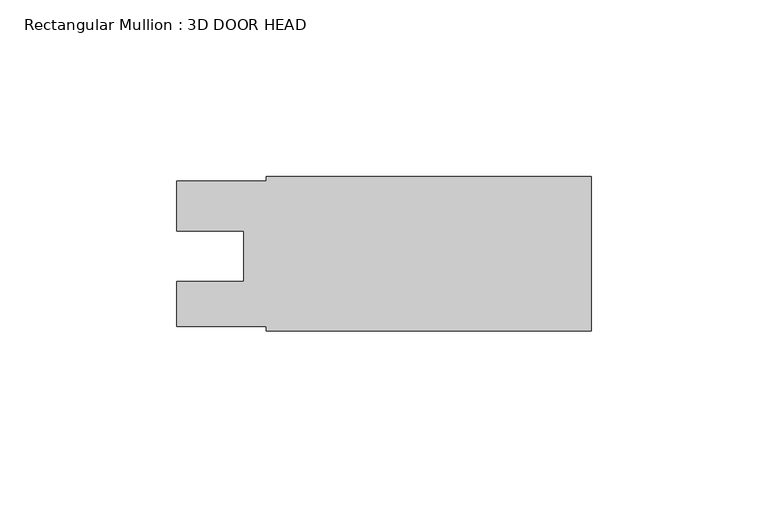
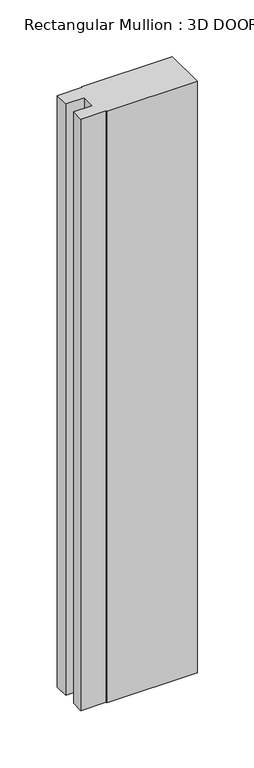
"""IFC4 building model written with IfcOpenShell, lengths in millimetres: member geometry, Rectangular Mullion : 3D DOOR HEAD."""

import ifcopenshell
import ifcopenshell.guid

model = None  # the IFC model being written
_history = None  # IfcOwnerHistory: only IFC2X3 demands one
_inside = {}  # id of a spatial element -> (the spatial element, [elements in it])
_under = {}  # id of a project, library or spatial element -> (it, [spatial elements below it])
_declared = {}  # id of a project -> (the project, [libraries it declares])
_typed = {}  # id of a type object -> (the type object, [elements of that type])
_made_of = {}  # id of a material, layer set ... -> (it, [elements and type objects made of it])


def new_model(schema):
    """Start an empty IFC model of exactly this schema.

    Asked for "IFC4X3", IfcOpenShell would pick the latest addendum, in which some entities
    have other attributes; the version numbers below select the first issue.
    IFC2X3 requires an IfcOwnerHistory on every rooted entity: one is made here for all.
    """
    global model, _history
    if schema == "IFC4X3":
        model = ifcopenshell.file(schema_version=(4, 3, 0, 0))
    else:
        model = ifcopenshell.file(schema=schema)
    _inside.clear()
    _under.clear()
    _declared.clear()
    _typed.clear()
    _made_of.clear()
    _history = None
    if model.schema == "IFC2X3":
        org = make("IfcOrganization", Name="unknown")
        user = make(
            "IfcPersonAndOrganization",
            ThePerson=make("IfcPerson", FamilyName="unknown"),
            TheOrganization=org,
        )
        app = make(
            "IfcApplication",
            ApplicationDeveloper=org,
            Version="unknown",
            ApplicationFullName="unknown",
            ApplicationIdentifier="unknown",
        )
        _history = make(
            "IfcOwnerHistory",
            OwningUser=user,
            OwningApplication=app,
            ChangeAction="ADDED",
            CreationDate=0,
        )
    return model


def make(cls, **values):
    """One entity of the class cls with the attributes given. An attribute that is None is left unset."""
    return model.create_entity(
        cls, **{name: value for name, value in values.items() if value is not None}
    )


def rooted(cls, **values):
    """An entity with a GlobalId (a new one), such as an element, a storey or a relation."""
    return make(cls, GlobalId=ifcopenshell.guid.new(), OwnerHistory=_history, **values)


def si_unit(unit_type, name, prefix=None):
    """IfcSIUnit, for example si_unit("LENGTHUNIT", "METRE", prefix="MILLI")."""
    return make("IfcSIUnit", UnitType=unit_type, Prefix=prefix, Name=name)


def assignment(units):
    """IfcUnitAssignment: the units of a project."""
    return None if units is None else make("IfcUnitAssignment", Units=units)


def point(xyz):
    """IfcCartesianPoint."""
    return None if xyz is None else make("IfcCartesianPoint", Coordinates=xyz)


def direction(xyz):
    """IfcDirection."""
    return None if xyz is None else make("IfcDirection", DirectionRatios=xyz)


def frame(location, z_axis=None, x_axis=None):
    """IfcAxis2Placement3D, a coordinate frame: its origin and axes. An axis left out is left unset."""
    return make(
        "IfcAxis2Placement3D",
        Location=point(location),
        Axis=direction(z_axis),
        RefDirection=direction(x_axis),
    )


def origin():
    """The frame at (0, 0, 0) with its axes left unset."""
    return frame((0.0, 0.0, 0.0))


def place(relative_to, where):
    """IfcLocalPlacement: puts the frame where relative to a parent placement (None: the world)."""
    return make(
        "IfcLocalPlacement", PlacementRelTo=relative_to, RelativePlacement=where
    )


def context(
    kind, dimensions, precision=None, world=None, true_north=None, identifier=None
):
    """IfcGeometricRepresentationContext, for example the 3D "Model" context."""
    return make(
        "IfcGeometricRepresentationContext",
        ContextIdentifier=identifier,
        ContextType=kind,
        CoordinateSpaceDimension=dimensions,
        Precision=precision,
        WorldCoordinateSystem=world,
        TrueNorth=true_north,
    )


def project(units=None, contexts=None):
    """IfcProject with its units and contexts."""
    return rooted(
        "IfcProject",
        Name="project",
        RepresentationContexts=contexts,
        UnitsInContext=assignment(units),
    )


def spatial(cls, under=None, at=None, **own):
    """A site, building, storey or space (cls), placed at a placement, below another one or the project."""
    s = rooted(cls, ObjectPlacement=at, **own)
    if under is not None:
        _under.setdefault(under.id(), (under, []))[1].append(s)
    return s


def polyline(points):
    """IfcPolyline through the points."""
    return make("IfcPolyline", Points=[point(p) for p in points])


def outline(outer, holes=None, kind="AREA"):
    """IfcArbitraryClosedProfileDef: a profile drawn as a closed curve; with holes, ...WithVoids."""
    if holes is None:
        return make("IfcArbitraryClosedProfileDef", ProfileType=kind, OuterCurve=outer)
    return make(
        "IfcArbitraryProfileDefWithVoids",
        ProfileType=kind,
        OuterCurve=outer,
        InnerCurves=holes,
    )


def extrude(swept, where, along, depth):
    """IfcExtrudedAreaSolid: the profile swept, set in the frame where, extruded along a direction by depth."""
    return make(
        "IfcExtrudedAreaSolid",
        SweptArea=swept,
        Position=where,
        ExtrudedDirection=direction(along),
        Depth=depth,
    )


def shape(context_of_items, identifier, shape_type, items):
    """IfcShapeRepresentation: the items that make up one representation, for example the "Body"."""
    return make(
        "IfcShapeRepresentation",
        ContextOfItems=context_of_items,
        RepresentationIdentifier=identifier,
        RepresentationType=shape_type,
        Items=items,
    )


def source(mapping_origin, context_of_items, identifier, shape_type, items):
    """IfcRepresentationMap: a shape defined once, which mapped items show again and again."""
    return make(
        "IfcRepresentationMap",
        MappingOrigin=mapping_origin,
        MappedRepresentation=shape(context_of_items, identifier, shape_type, items),
    )


def transform(
    local_origin,
    x_axis=None,
    y_axis=None,
    z_axis=None,
    scale=None,
    scale2=None,
    scale3=None,
    uniform=True,
):
    """IfcCartesianTransformationOperator3D, or its non-uniform kind. x_axis, y_axis, z_axis: its Axis1, 2, 3."""
    if uniform:
        return make(
            "IfcCartesianTransformationOperator3D",
            Axis1=direction(x_axis),
            Axis2=direction(y_axis),
            LocalOrigin=point(local_origin),
            Scale=scale,
            Axis3=direction(z_axis),
        )
    return make(
        "IfcCartesianTransformationOperator3DnonUniform",
        Axis1=direction(x_axis),
        Axis2=direction(y_axis),
        LocalOrigin=point(local_origin),
        Scale=scale,
        Axis3=direction(z_axis),
        Scale2=scale2,
        Scale3=scale3,
    )


def mapped(mapping_source, mapping_target):
    """IfcMappedItem: shows the shape of a source again, moved by a transform."""
    return make(
        "IfcMappedItem", MappingSource=mapping_source, MappingTarget=mapping_target
    )


def made_of(thing, what):
    """Note that an element or type object is made of a material, layer set ...; save() writes the relation."""
    if what is not None:
        _made_of.setdefault(what.id(), (what, []))[1].append(thing)
    return thing


def element(
    cls,
    number,
    at=None,
    inside=None,
    cuts=None,
    type_object=None,
    material=None,
    context=None,
    identifier="Body",
    shape_type=None,
    held_by="IfcProductDefinitionShape",
    body=None,
    shapes=None,
    **own,
):
    """One element of the class cls, such as IfcWall. Its Tag is "e" and its number.

    at: its placement. inside: the storey or other place that contains it. cuts: it is an
    opening in that element (IfcRelVoidsElement). A single representation is given by context,
    identifier, shape_type and body (its items); several are given by shapes. held_by: the class
    of the entity that holds the representations. save() writes the other relations.
    """
    e = rooted(cls, Tag="e%d" % number, ObjectPlacement=at, **own)
    if body is not None:
        shapes = [shape(context, identifier, shape_type, body)]
    if shapes is not None:
        e.Representation = make(held_by, Representations=shapes)
    if inside is not None:
        _inside.setdefault(inside.id(), (inside, []))[1].append(e)
    if cuts is not None:
        rooted(
            "IfcRelVoidsElement", RelatingBuildingElement=cuts, RelatedOpeningElement=e
        )
    if type_object is not None:
        _typed.setdefault(type_object.id(), (type_object, []))[1].append(e)
    return made_of(e, material)


def aggregate(whole, parts):
    """IfcRelAggregates: a whole, such as a stair, and the parts it consists of."""
    return rooted("IfcRelAggregates", RelatingObject=whole, RelatedObjects=parts)


def save(model, path):
    """Write the relations noted so far, then the file.

    IfcRelAggregates (storeys below a building ...), IfcRelContainedInSpatialStructure (elements
    in a storey), IfcRelDefinesByType, IfcRelAssociatesMaterial and IfcRelDeclares: one each for
    every whole, place, type object, material and project.
    """
    for whole, parts in _under.values():
        aggregate(whole, parts)
    for where, things in _inside.values():
        rooted(
            "IfcRelContainedInSpatialStructure",
            RelatedElements=things,
            RelatingStructure=where,
        )
    for kind, things in _typed.values():
        rooted("IfcRelDefinesByType", RelatedObjects=things, RelatingType=kind)
    for what, things in _made_of.values():
        rooted("IfcRelAssociatesMaterial", RelatedObjects=things, RelatingMaterial=what)
    for by, libraries in _declared.values():
        rooted("IfcRelDeclares", RelatingContext=by, RelatedDefinitions=libraries)
    model.write(path)


def rectangular_mullion_3d_door_head_f0aade21(model_context):
    return source(origin(), model_context, "Body", "SweptSolid", [
        extrude(outline(polyline([(0.0, 60.50915), (0.0, 16.71955), (-92.075, 16.71955), (-92.075, 17.98955), (-117.475, 17.98955), (-117.475, 30.70225), (-98.4377009, 30.70225), (-98.4377009, 44.98975), (-117.475, 44.98975), (-117.475, 59.2518337), (-92.075, 59.2518337), (-92.075, 60.50915), (0.0, 60.50915)])), frame((0.0, 0.0, -635.79375), z_axis=(0.0, 0.0, 1.0), x_axis=(1.0, 0.0, 0.0)), (0.0, 0.0, 1.0), 635.79375),
    ])


if __name__ == "__main__":
    model = new_model("IFC4")
    model_context = context("Model", 3, world=origin())
    ifc_project = project(units=[si_unit("LENGTHUNIT", "METRE", prefix="MILLI")], contexts=[model_context])
    site = spatial("IfcSite", under=ifc_project)
    building = spatial("IfcBuilding", under=site)
    placement = place(None, origin())
    rectangular_mullion_3d_door_head_shape = rectangular_mullion_3d_door_head_f0aade21(model_context)
    element("IfcMember", 1, ObjectType="Rectangular Mullion : 3D DOOR HEAD", at=placement, inside=building, context=model_context, shape_type="MappedRepresentation", body=[
        mapped(rectangular_mullion_3d_door_head_shape, transform((0.0, 0.0, 0.0), x_axis=(1.0, 0.0, 0.0), y_axis=(0.0, 1.0, 0.0), z_axis=(0.0, 0.0, 1.0))),
    ])
    save(model, "model.ifc")
